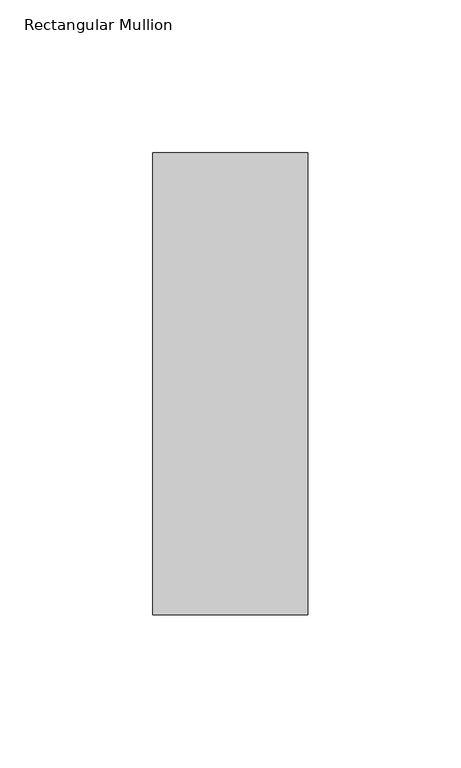
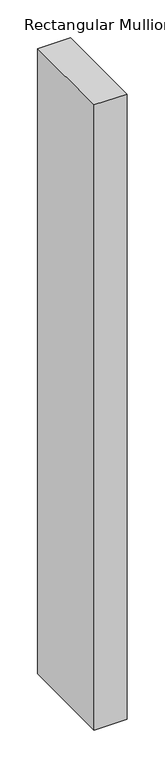
"""IFC4 building model written with IfcOpenShell, lengths in millimetres: member geometry, Rectangular Mullion."""

import ifcopenshell
import ifcopenshell.guid

model = None  # the IFC model being written
_history = None  # IfcOwnerHistory: only IFC2X3 demands one
_inside = {}  # id of a spatial element -> (the spatial element, [elements in it])
_under = {}  # id of a project, library or spatial element -> (it, [spatial elements below it])
_declared = {}  # id of a project -> (the project, [libraries it declares])
_typed = {}  # id of a type object -> (the type object, [elements of that type])
_made_of = {}  # id of a material, layer set ... -> (it, [elements and type objects made of it])


def new_model(schema):
    """Start an empty IFC model of exactly this schema.

    Asked for "IFC4X3", IfcOpenShell would pick the latest addendum, in which some entities
    have other attributes; the version numbers below select the first issue.
    IFC2X3 requires an IfcOwnerHistory on every rooted entity: one is made here for all.
    """
    global model, _history
    if schema == "IFC4X3":
        model = ifcopenshell.file(schema_version=(4, 3, 0, 0))
    else:
        model = ifcopenshell.file(schema=schema)
    _inside.clear()
    _under.clear()
    _declared.clear()
    _typed.clear()
    _made_of.clear()
    _history = None
    if model.schema == "IFC2X3":
        org = make("IfcOrganization", Name="unknown")
        user = make(
            "IfcPersonAndOrganization",
            ThePerson=make("IfcPerson", FamilyName="unknown"),
            TheOrganization=org,
        )
        app = make(
            "IfcApplication",
            ApplicationDeveloper=org,
            Version="unknown",
            ApplicationFullName="unknown",
            ApplicationIdentifier="unknown",
        )
        _history = make(
            "IfcOwnerHistory",
            OwningUser=user,
            OwningApplication=app,
            ChangeAction="ADDED",
            CreationDate=0,
        )
    return model


def make(cls, **values):
    """One entity of the class cls with the attributes given. An attribute that is None is left unset."""
    return model.create_entity(
        cls, **{name: value for name, value in values.items() if value is not None}
    )


def rooted(cls, **values):
    """An entity with a GlobalId (a new one), such as an element, a storey or a relation."""
    return make(cls, GlobalId=ifcopenshell.guid.new(), OwnerHistory=_history, **values)


def si_unit(unit_type, name, prefix=None):
    """IfcSIUnit, for example si_unit("LENGTHUNIT", "METRE", prefix="MILLI")."""
    return make("IfcSIUnit", UnitType=unit_type, Prefix=prefix, Name=name)


def assignment(units):
    """IfcUnitAssignment: the units of a project."""
    return None if units is None else make("IfcUnitAssignment", Units=units)


def point(xyz):
    """IfcCartesianPoint."""
    return None if xyz is None else make("IfcCartesianPoint", Coordinates=xyz)


def direction(xyz):
    """IfcDirection."""
    return None if xyz is None else make("IfcDirection", DirectionRatios=xyz)


def frame(location, z_axis=None, x_axis=None):
    """IfcAxis2Placement3D, a coordinate frame: its origin and axes. An axis left out is left unset."""
    return make(
        "IfcAxis2Placement3D",
        Location=point(location),
        Axis=direction(z_axis),
        RefDirection=direction(x_axis),
    )


def origin():
    """The frame at (0, 0, 0) with its axes left unset."""
    return frame((0.0, 0.0, 0.0))


def place(relative_to, where):
    """IfcLocalPlacement: puts the frame where relative to a parent placement (None: the world)."""
    return make(
        "IfcLocalPlacement", PlacementRelTo=relative_to, RelativePlacement=where
    )


def context(
    kind, dimensions, precision=None, world=None, true_north=None, identifier=None
):
    """IfcGeometricRepresentationContext, for example the 3D "Model" context."""
    return make(
        "IfcGeometricRepresentationContext",
        ContextIdentifier=identifier,
        ContextType=kind,
        CoordinateSpaceDimension=dimensions,
        Precision=precision,
        WorldCoordinateSystem=world,
        TrueNorth=true_north,
    )


def project(units=None, contexts=None):
    """IfcProject with its units and contexts."""
    return rooted(
        "IfcProject",
        Name="project",
        RepresentationContexts=contexts,
        UnitsInContext=assignment(units),
    )


def spatial(cls, under=None, at=None, **own):
    """A site, building, storey or space (cls), placed at a placement, below another one or the project."""
    s = rooted(cls, ObjectPlacement=at, **own)
    if under is not None:
        _under.setdefault(under.id(), (under, []))[1].append(s)
    return s


def polyline(points):
    """IfcPolyline through the points."""
    return make("IfcPolyline", Points=[point(p) for p in points])


def outline(outer, holes=None, kind="AREA"):
    """IfcArbitraryClosedProfileDef: a profile drawn as a closed curve; with holes, ...WithVoids."""
    if holes is None:
        return make("IfcArbitraryClosedProfileDef", ProfileType=kind, OuterCurve=outer)
    return make(
        "IfcArbitraryProfileDefWithVoids",
        ProfileType=kind,
        OuterCurve=outer,
        InnerCurves=holes,
    )


def extrude(swept, where, along, depth):
    """IfcExtrudedAreaSolid: the profile swept, set in the frame where, extruded along a direction by depth."""
    return make(
        "IfcExtrudedAreaSolid",
        SweptArea=swept,
        Position=where,
        ExtrudedDirection=direction(along),
        Depth=depth,
    )


def shape(context_of_items, identifier, shape_type, items):
    """IfcShapeRepresentation: the items that make up one representation, for example the "Body"."""
    return make(
        "IfcShapeRepresentation",
        ContextOfItems=context_of_items,
        RepresentationIdentifier=identifier,
        RepresentationType=shape_type,
        Items=items,
    )


def source(mapping_origin, context_of_items, identifier, shape_type, items):
    """IfcRepresentationMap: a shape defined once, which mapped items show again and again."""
    return make(
        "IfcRepresentationMap",
        MappingOrigin=mapping_origin,
        MappedRepresentation=shape(context_of_items, identifier, shape_type, items),
    )


def transform(
    local_origin,
    x_axis=None,
    y_axis=None,
    z_axis=None,
    scale=None,
    scale2=None,
    scale3=None,
    uniform=True,
):
    """IfcCartesianTransformationOperator3D, or its non-uniform kind. x_axis, y_axis, z_axis: its Axis1, 2, 3."""
    if uniform:
        return make(
            "IfcCartesianTransformationOperator3D",
            Axis1=direction(x_axis),
            Axis2=direction(y_axis),
            LocalOrigin=point(local_origin),
            Scale=scale,
            Axis3=direction(z_axis),
        )
    return make(
        "IfcCartesianTransformationOperator3DnonUniform",
        Axis1=direction(x_axis),
        Axis2=direction(y_axis),
        LocalOrigin=point(local_origin),
        Scale=scale,
        Axis3=direction(z_axis),
        Scale2=scale2,
        Scale3=scale3,
    )


def mapped(mapping_source, mapping_target):
    """IfcMappedItem: shows the shape of a source again, moved by a transform."""
    return make(
        "IfcMappedItem", MappingSource=mapping_source, MappingTarget=mapping_target
    )


def made_of(thing, what):
    """Note that an element or type object is made of a material, layer set ...; save() writes the relation."""
    if what is not None:
        _made_of.setdefault(what.id(), (what, []))[1].append(thing)
    return thing


def element(
    cls,
    number,
    at=None,
    inside=None,
    cuts=None,
    type_object=None,
    material=None,
    context=None,
    identifier="Body",
    shape_type=None,
    held_by="IfcProductDefinitionShape",
    body=None,
    shapes=None,
    **own,
):
    """One element of the class cls, such as IfcWall. Its Tag is "e" and its number.

    at: its placement. inside: the storey or other place that contains it. cuts: it is an
    opening in that element (IfcRelVoidsElement). A single representation is given by context,
    identifier, shape_type and body (its items); several are given by shapes. held_by: the class
    of the entity that holds the representations. save() writes the other relations.
    """
    e = rooted(cls, Tag="e%d" % number, ObjectPlacement=at, **own)
    if body is not None:
        shapes = [shape(context, identifier, shape_type, body)]
    if shapes is not None:
        e.Representation = make(held_by, Representations=shapes)
    if inside is not None:
        _inside.setdefault(inside.id(), (inside, []))[1].append(e)
    if cuts is not None:
        rooted(
            "IfcRelVoidsElement", RelatingBuildingElement=cuts, RelatedOpeningElement=e
        )
    if type_object is not None:
        _typed.setdefault(type_object.id(), (type_object, []))[1].append(e)
    return made_of(e, material)


def aggregate(whole, parts):
    """IfcRelAggregates: a whole, such as a stair, and the parts it consists of."""
    return rooted("IfcRelAggregates", RelatingObject=whole, RelatedObjects=parts)


def save(model, path):
    """Write the relations noted so far, then the file.

    IfcRelAggregates (storeys below a building ...), IfcRelContainedInSpatialStructure (elements
    in a storey), IfcRelDefinesByType, IfcRelAssociatesMaterial and IfcRelDeclares: one each for
    every whole, place, type object, material and project.
    """
    for whole, parts in _under.values():
        aggregate(whole, parts)
    for where, things in _inside.values():
        rooted(
            "IfcRelContainedInSpatialStructure",
            RelatedElements=things,
            RelatingStructure=where,
        )
    for kind, things in _typed.values():
        rooted("IfcRelDefinesByType", RelatedObjects=things, RelatingType=kind)
    for what, things in _made_of.values():
        rooted("IfcRelAssociatesMaterial", RelatedObjects=things, RelatingMaterial=what)
    for by, libraries in _declared.values():
        rooted("IfcRelDeclares", RelatingContext=by, RelatedDefinitions=libraries)
    model.write(path)


def rectangular_mullion_481aa509(model_context):
    return source(origin(), model_context, "Body", "SweptSolid", [
        extrude(outline(polyline([(-50.8, 25.5877462), (0.0, 25.5877462), (0.0, -125.5954298), (-50.8, -125.5954298), (-50.8, 25.5877462)])), frame((0.0, 0.0, -1016.0), z_axis=(0.0, 0.0, 1.0), x_axis=(1.0, 0.0, 0.0)), (0.0, 0.0, 1.0), 1016.0),
    ])


if __name__ == "__main__":
    model = new_model("IFC4")
    model_context = context("Model", 3, world=origin())
    ifc_project = project(units=[si_unit("LENGTHUNIT", "METRE", prefix="MILLI")], contexts=[model_context])
    site = spatial("IfcSite", under=ifc_project)
    building = spatial("IfcBuilding", under=site)
    placement = place(None, origin())
    rectangular_mullion_shape = rectangular_mullion_481aa509(model_context)
    element("IfcMember", 1, ObjectType="Rectangular Mullion", at=placement, inside=building, context=model_context, shape_type="MappedRepresentation", body=[
        mapped(rectangular_mullion_shape, transform((0.0, 0.0, 0.0), x_axis=(1.0, 0.0, 0.0), y_axis=(0.0, 1.0, 0.0), z_axis=(0.0, 0.0, 1.0))),
    ])
    save(model, "model.ifc")
